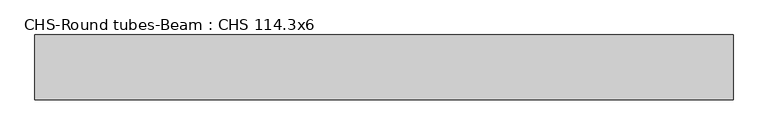
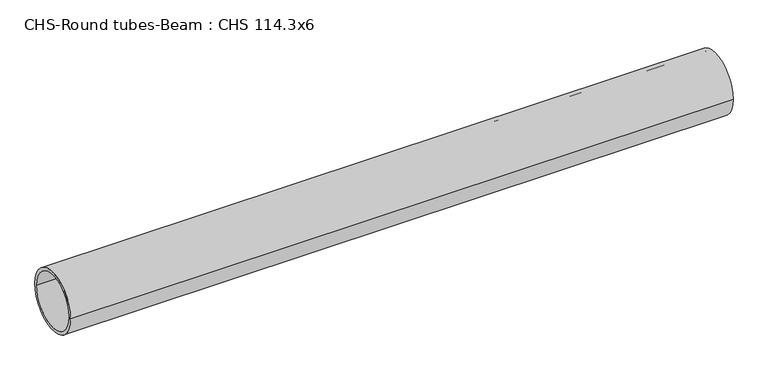
"""IFC4 building model written with IfcOpenShell, lengths in millimetres: beam geometry, CHS-Round tubes-Beam : CHS 114.3x6."""

from ifc_helpers import new_model, si_unit, point, frame, origin, origin_2d, place, context, project, spatial, circle_curve, trimmed, segment, composite_curve, outline, extrude, source, transform, mapped, element, save


def chs_round_tubes_beam_chs_114_3x6_8dff39e9(model_context):
    return source(origin(), model_context, "Body", "SweptSolid", [
        extrude(outline(composite_curve([segment(trimmed(circle_curve(origin_2d(), 57.15), [point((57.15, 0.0))], [point((-57.15, 0.0))], False, "CARTESIAN"), True, "CONTINUOUS"), segment(trimmed(circle_curve(origin_2d(), 57.15), [point((-57.15, 0.0))], [point((57.15, 0.0))], False, "CARTESIAN"), True, "CONTINUOUS")], self_intersect=False), holes=[composite_curve([segment(trimmed(circle_curve(origin_2d(), 51.15), [point((51.15, 0.0))], [point((-51.15, 0.0))], True, "CARTESIAN"), True, "CONTINUOUS"), segment(trimmed(circle_curve(origin_2d(), 51.15), [point((-51.15, 0.0))], [point((51.15, 0.0))], True, "CARTESIAN"), True, "CONTINUOUS")], self_intersect=False)]), frame((-630.02593, 0.0, 0.0), z_axis=(1.0, 0.0, 0.0), x_axis=(0.0, 1.0, 0.0)), (0.0, 0.0, 1.0), 1229.5763101),
    ])


if __name__ == "__main__":
    model = new_model("IFC4")
    model_context = context("Model", 3, world=origin())
    ifc_project = project(units=[si_unit("LENGTHUNIT", "METRE", prefix="MILLI")], contexts=[model_context])
    site = spatial("IfcSite", under=ifc_project)
    building = spatial("IfcBuilding", under=site)
    placement = place(None, origin())
    chs_round_tubes_beam_chs_114_3x6_shape = chs_round_tubes_beam_chs_114_3x6_8dff39e9(model_context)
    element("IfcBeam", 1, ObjectType="CHS-Round tubes-Beam : CHS 114.3x6", at=placement, inside=building, context=model_context, shape_type="MappedRepresentation", body=[
        mapped(chs_round_tubes_beam_chs_114_3x6_shape, transform((0.0, 0.0, 0.0), x_axis=(1.0, 0.0, 0.0), y_axis=(0.0, 1.0, 0.0), z_axis=(0.0, 0.0, 1.0))),
    ])
    save(model, "model.ifc")
